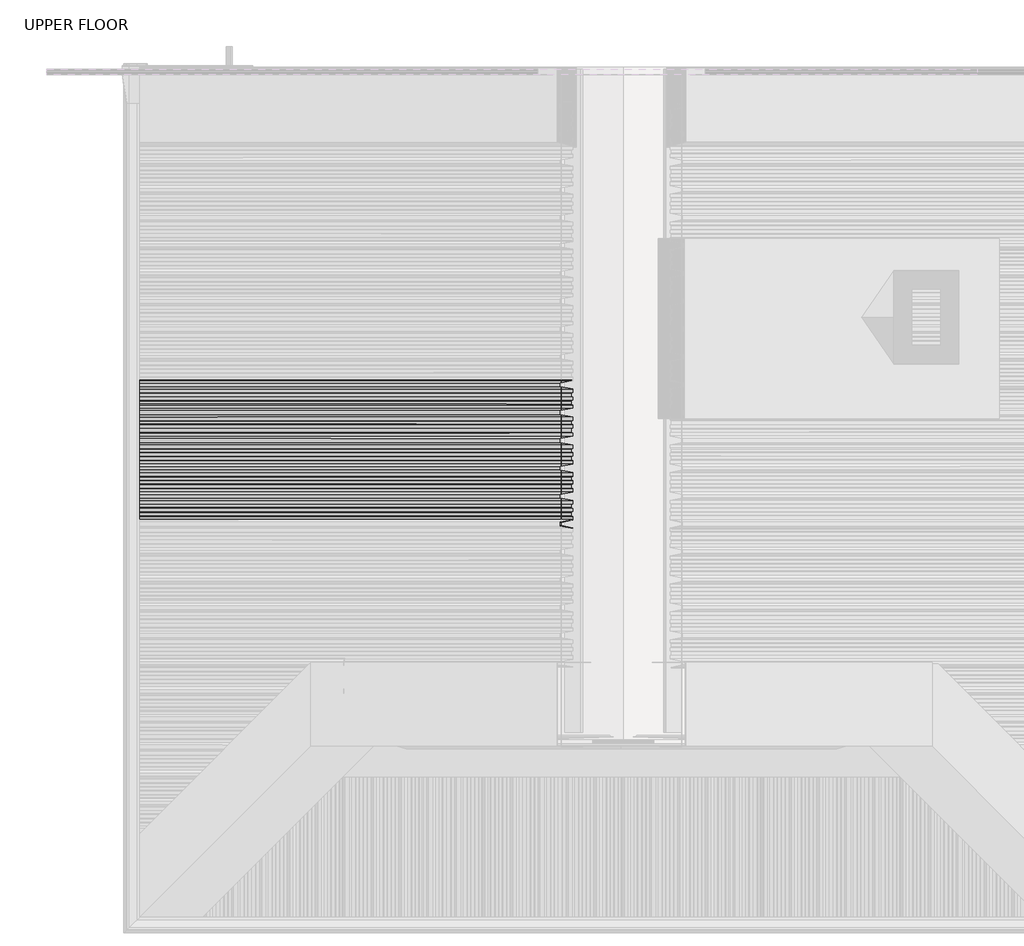
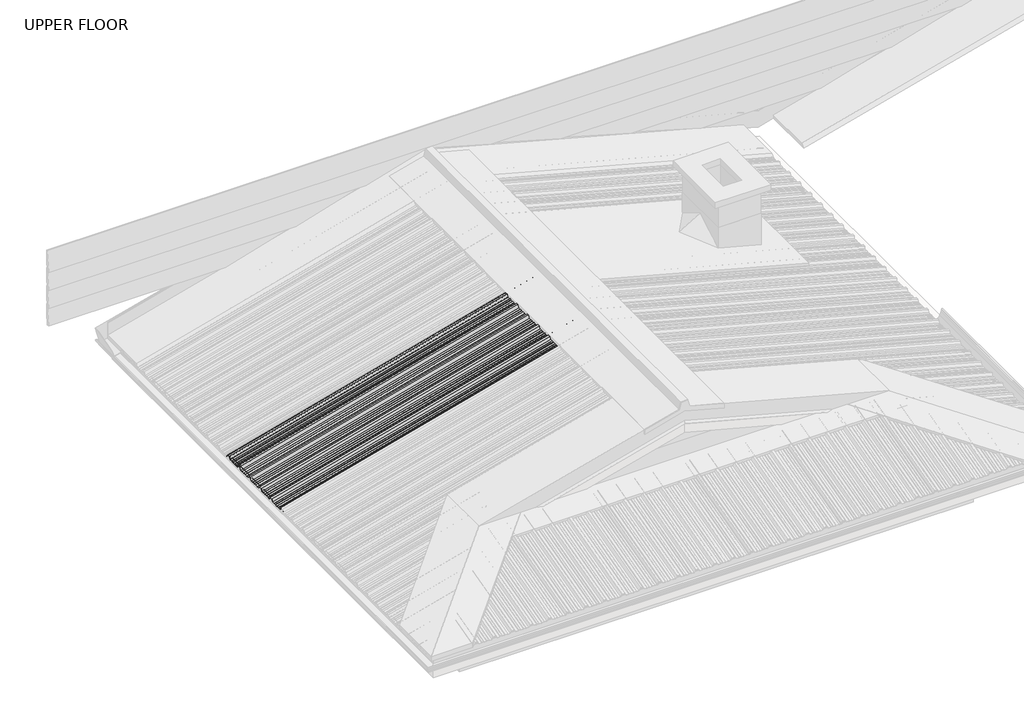
# One storey, part 12 of 18: 1 beam.
"""IFC4 building model written with IfcOpenShell, lengths in millimetres."""

from ifc_helpers import new_model, si_unit, frame, origin, place, context, project, spatial, circle_curve, ellipse_curve, element, save
from ifc_brep_helpers import plane_surface, cylinder_surface, advanced_brep

model = new_model("IFC4")

# Units and contexts
model_context = context("Model", 3, world=origin())
ifc_project = project(units=[si_unit("LENGTHUNIT", "METRE", prefix="MILLI")], contexts=[model_context])

# Site, building, storey
site = spatial("IfcSite", under=ifc_project)
building = spatial("IfcBuilding", under=site)
storey = spatial("IfcBuildingStorey", under=building, Name="UPPER FLOOR", Elevation=2700.0)

# Beam
placement = place(None, origin())
element("IfcBeam", 1, at=placement, inside=storey, context=model_context, shape_type="AdvancedBrep", body=[
    advanced_brep(
    [(1911.8438312, -2385.5154236, 3964.0388456), (1916.502574, -2372.0160332, 3946.6521808), (1916.502574, -2353.8599507, 3946.6521808), (1915.9849359, -2349.7333487, 3948.5840324), (1915.9849359, -2332.1265136, 3948.5840324), (1916.502574, -2328.8623496, 3946.6521808), (1916.502574, -2310.0893759, 3946.6521808), (1915.9849359, -2307.0479174, 3948.5840324), (1915.9849359, -2291.3821135, 3948.5840324), (1916.502574, -2288.3384716, 3946.6521808), (1916.502574, -2268.0160332, 3946.6521808), (1911.8438312, -2254.5166428, 3964.0388456), (1911.8438312, -2235.5154236, 3964.0388456), (1916.502574, -2222.0160332, 3946.6521808), (1916.502574, -2203.8599507, 3946.6521808), (1915.9849359, -2199.7333487, 3948.5840324), (1915.9849359, -2182.1265136, 3948.5840324), (1916.502574, -2178.8623496, 3946.6521808), (1916.502574, -2160.0893759, 3946.6521808), (1915.9849359, -2157.0479174, 3948.5840324), (1915.9849359, -2141.3821135, 3948.5840324), (1916.502574, -2138.3384716, 3946.6521808), (1916.502574, -2118.0160332, 3946.6521808), (1911.8438312, -2104.5166428, 3964.0388456), (1911.8438312, -2085.5154236, 3964.0388456), (1916.502574, -2072.0160332, 3946.6521808), (1916.502574, -2053.8599507, 3946.6521808), (1915.9849359, -2049.7333487, 3948.5840324), (1915.9849359, -2032.1265136, 3948.5840324), (1916.502574, -2028.8623496, 3946.6521808), (1916.502574, -2010.0893759, 3946.6521808), (1915.9849359, -2007.0479174, 3948.5840324), (1915.9849359, -1991.3821135, 3948.5840324), (1916.502574, -1988.3384716, 3946.6521808), (1916.502574, -1968.0160332, 3946.6521808), (1911.8438312, -1954.5166428, 3964.0388456), (1911.8438312, -1935.5154236, 3964.0388456), (1916.502574, -1922.0160332, 3946.6521808), (1916.502574, -1903.8599507, 3946.6521808), (1915.9849359, -1899.7333487, 3948.5840324), (1915.9849359, -1882.1265136, 3948.5840324), (1916.502574, -1878.8623496, 3946.6521808), (1916.502574, -1860.0893759, 3946.6521808), (1915.9849359, -1857.0479174, 3948.5840324), (1915.9849359, -1841.3821135, 3948.5840324), (1916.502574, -1838.3384716, 3946.6521808), (1916.502574, -1818.0160332, 3946.6521808), (1911.8438312, -1804.5166428, 3964.0388456), (1911.8438312, -1785.5154236, 3964.0388456), (1915.9849359, -1773.5159654, 3948.5840324), (1915.9849359, -1769.8426482, 3948.5840324), (1915.7261169, -1769.8426482, 3949.5499582), (1915.7261169, -1773.016575, 3949.5499582), (1911.5850122, -1785.0160332, 3965.0047715), (1911.5850122, -1805.0160332, 3965.0047715), (1916.243755, -1818.5154236, 3947.6181066), (1916.243755, -1838.0393206, 3947.6181066), (1915.7261169, -1841.0829625, 3949.5499582), (1915.7261169, -1857.3472479, 3949.5499582), (1916.243755, -1860.3887064, 3947.6181066), (1916.243755, -1878.5803543, 3947.6181066), (1915.7261169, -1881.8445183, 3949.5499582), (1915.7261169, -1899.9629086, 3949.5499582), (1916.243755, -1904.0895106, 3947.6181066), (1916.243755, -1921.5166428, 3947.6181066), (1911.5850122, -1935.0160332, 3965.0047715), (1911.5850122, -1955.0160332, 3965.0047715), (1916.243755, -1968.5154236, 3947.6181066), (1916.243755, -1988.0393206, 3947.6181066), (1915.7261169, -1991.0829625, 3949.5499582), (1915.7261169, -2007.3472479, 3949.5499582), (1916.243755, -2010.3887064, 3947.6181066), (1916.243755, -2028.5803543, 3947.6181066), (1915.7261169, -2031.8445183, 3949.5499582), (1915.7261169, -2049.9629086, 3949.5499582), (1916.243755, -2054.0895106, 3947.6181066), (1916.243755, -2071.5166428, 3947.6181066), (1911.5850122, -2085.0160332, 3965.0047715), (1911.5850122, -2105.0160332, 3965.0047715), (1916.243755, -2118.5154236, 3947.6181066), (1916.243755, -2138.0393206, 3947.6181066), (1915.7261169, -2141.0829625, 3949.5499582), (1915.7261169, -2157.3472479, 3949.5499582), (1916.243755, -2160.3887064, 3947.6181066), (1916.243755, -2178.5803543, 3947.6181066), (1915.7261169, -2181.8445183, 3949.5499582), (1915.7261169, -2199.9629086, 3949.5499582), (1916.243755, -2204.0895106, 3947.6181066), (1916.243755, -2221.5166428, 3947.6181066), (1911.5850122, -2235.0160332, 3965.0047715), (1911.5850122, -2255.0160332, 3965.0047715), (1916.243755, -2268.5154236, 3947.6181066), (1916.243755, -2288.0393206, 3947.6181066), (1915.7261169, -2291.0829625, 3949.5499582), (1915.7261169, -2307.3472479, 3949.5499582), (1916.243755, -2310.3887064, 3947.6181066), (1916.243755, -2328.5803543, 3947.6181066), (1915.7261169, -2331.8445183, 3949.5499582), (1915.7261169, -2349.9629086, 3949.5499582), (1916.243755, -2354.0895106, 3947.6181066), (1916.243755, -2371.5166428, 3947.6181066), (1911.5850122, -2385.0160332, 3965.0047715), (1911.5850122, -2405.0160332, 3965.0047715), (1916.243755, -2418.5154236, 3947.6181066), (1916.243755, -2438.0393206, 3947.6181066), (1915.7261169, -2441.0829625, 3949.5499582), (1915.7261169, -2457.3472479, 3949.5499582), (1916.243755, -2460.3887064, 3947.6181066), (1916.243755, -2478.5803543, 3947.6181066), (1915.7261169, -2481.8445183, 3949.5499582), (1915.7261169, -2499.9629086, 3949.5499582), (1916.243755, -2504.0895106, 3947.6181066), (1916.243755, -2524.0166021, 3947.6181066), (1912.1026503, -2536.0160603, 3963.0729198), (1912.1026503, -2554.0160061, 3963.0729198), (1916.1256634, -2565.6732765, 3948.0588305), (1916.2808729, -2564.8736623, 3947.4795806), (1912.3614693, -2553.5166157, 3962.106994), (1912.3614693, -2536.5154506, 3962.106994), (1916.502574, -2524.5159925, 3946.6521808), (1916.502574, -2503.8599507, 3946.6521808), (1915.9849359, -2499.7333487, 3948.5840324), (1915.9849359, -2482.1265136, 3948.5840324), (1916.502574, -2478.8623496, 3946.6521808), (1916.502574, -2460.0893759, 3946.6521808), (1915.9849359, -2457.0479174, 3948.5840324), (1915.9849359, -2441.3821135, 3948.5840324), (1916.502574, -2438.3384716, 3946.6521808), (1916.502574, -2418.0160332, 3946.6521808), (1911.8438312, -2404.5166428, 3964.0388456), (-592.3448479, -2385.5154236, 3293.0435114), (-592.3448479, -2372.0160332, 3274.4085401), (-592.3448479, -2353.8599507, 3274.4085401), (-592.3448479, -2349.7333487, 3276.4790925), (-592.3448479, -2332.1265136, 3276.4790925), (-592.3448479, -2328.8623496, 3274.4085401), (-592.3448479, -2310.0893759, 3274.4085401), (-592.3448479, -2307.0479174, 3276.4790925), (-592.3448479, -2291.3821135, 3276.4790925), (-592.3448479, -2288.3384716, 3274.4085401), (-592.3448479, -2268.0160332, 3274.4085401), (-592.3448479, -2254.5166428, 3293.0435114), (-592.3448479, -2235.5154236, 3293.0435114), (-592.3448479, -2222.0160332, 3274.4085401), (-592.3448479, -2203.8599507, 3274.4085401), (-592.3448479, -2199.7333487, 3276.4790925), (-592.3448479, -2182.1265136, 3276.4790925), (-592.3448479, -2178.8623496, 3274.4085401), (-592.3448479, -2160.0893759, 3274.4085401), (-592.3448479, -2157.0479174, 3276.4790925), (-592.3448479, -2141.3821135, 3276.4790925), (-592.3448479, -2138.3384716, 3274.4085401), (-592.3448479, -2118.0160332, 3274.4085401), (-592.3448479, -2104.5166428, 3293.0435114), (-592.3448479, -2085.5154236, 3293.0435114), (-592.3448479, -2072.0160332, 3274.4085401), (-592.3448479, -2053.8599507, 3274.4085401), (-592.3448479, -2049.7333487, 3276.4790925), (-592.3448479, -2032.1265136, 3276.4790925), (-592.3448479, -2028.8623496, 3274.4085401), (-592.3448479, -2010.0893759, 3274.4085401), (-592.3448479, -2007.0479174, 3276.4790925), (-592.3448479, -1991.3821135, 3276.4790925), (-592.3448479, -1988.3384716, 3274.4085401), (-592.3448479, -1968.0160332, 3274.4085401), (-592.3448479, -1954.5166428, 3293.0435114), (-592.3448479, -1935.5154236, 3293.0435114), (-592.3448479, -1922.0160332, 3274.4085401), (-592.3448479, -1903.8599507, 3274.4085401), (-592.3448479, -1899.7333487, 3276.4790925), (-592.3448479, -1882.1265136, 3276.4790925), (-592.3448479, -1878.8623496, 3274.4085401), (-592.3448479, -1860.0893759, 3274.4085401), (-592.3448479, -1857.0479174, 3276.4790925), (-592.3448479, -1841.3821135, 3276.4790925), (-592.3448479, -1838.3384716, 3274.4085401), (-592.3448479, -1818.0160332, 3274.4085401), (-592.3448479, -1804.5166428, 3293.0435114), (-592.3448479, -1785.5154236, 3293.0435114), (-592.3448479, -1773.5159654, 3276.4790925), (-592.3448479, -1769.8426482, 3276.4790925), (-592.3448479, -1769.8426482, 3277.5143687), (-592.3448479, -1773.016575, 3277.5143687), (-592.3448479, -1785.0160332, 3294.0787875), (-592.3448479, -1805.0160332, 3294.0787875), (-592.3448479, -1818.5154236, 3275.4438163), (-592.3448479, -1838.0393206, 3275.4438163), (-592.3448479, -1841.0829625, 3277.5143687), (-592.3448479, -1857.3472479, 3277.5143687), (-592.3448479, -1860.3887064, 3275.4438163), (-592.3448479, -1878.5803543, 3275.4438163), (-592.3448479, -1881.8445183, 3277.5143687), (-592.3448479, -1899.9629086, 3277.5143687), (-592.3448479, -1904.0895106, 3275.4438163), (-592.3448479, -1921.5166428, 3275.4438163), (-592.3448479, -1935.0160332, 3294.0787875), (-592.3448479, -1955.0160332, 3294.0787875), (-592.3448479, -1968.5154236, 3275.4438163), (-592.3448479, -1988.0393206, 3275.4438163), (-592.3448479, -1991.0829625, 3277.5143687), (-592.3448479, -2007.3472479, 3277.5143687), (-592.3448479, -2010.3887064, 3275.4438163), (-592.3448479, -2028.5803543, 3275.4438163), (-592.3448479, -2031.8445183, 3277.5143687), (-592.3448479, -2049.9629086, 3277.5143687), (-592.3448479, -2054.0895106, 3275.4438163), (-592.3448479, -2071.5166428, 3275.4438163), (-592.3448479, -2085.0160332, 3294.0787875), (-592.3448479, -2105.0160332, 3294.0787875), (-592.3448479, -2118.5154236, 3275.4438163), (-592.3448479, -2138.0393206, 3275.4438163), (-592.3448479, -2141.0829625, 3277.5143687), (-592.3448479, -2157.3472479, 3277.5143687), (-592.3448479, -2160.3887064, 3275.4438163), (-592.3448479, -2178.5803543, 3275.4438163), (-592.3448479, -2181.8445183, 3277.5143687), (-592.3448479, -2199.9629086, 3277.5143687), (-592.3448479, -2204.0895106, 3275.4438163), (-592.3448479, -2221.5166428, 3275.4438163), (-592.3448479, -2235.0160332, 3294.0787875), (-592.3448479, -2255.0160332, 3294.0787875), (-592.3448479, -2268.5154236, 3275.4438163), (-592.3448479, -2288.0393206, 3275.4438163), (-592.3448479, -2291.0829625, 3277.5143687), (-592.3448479, -2307.3472479, 3277.5143687), (-592.3448479, -2310.3887064, 3275.4438163), (-592.3448479, -2328.5803543, 3275.4438163), (-592.3448479, -2331.8445183, 3277.5143687), (-592.3448479, -2349.9629086, 3277.5143687), (-592.3448479, -2354.0895106, 3275.4438163), (-592.3448479, -2371.5166428, 3275.4438163), (-592.3448479, -2385.0160332, 3294.0787875), (-592.3448479, -2405.0160332, 3294.0787875), (-592.3448479, -2418.5154236, 3275.4438163), (-592.3448479, -2438.0393206, 3275.4438163), (-592.3448479, -2441.0829625, 3277.5143687), (-592.3448479, -2457.3472479, 3277.5143687), (-592.3448479, -2460.3887064, 3275.4438163), (-592.3448479, -2478.5803543, 3275.4438163), (-592.3448479, -2481.8445183, 3277.5143687), (-592.3448479, -2499.9629086, 3277.5143687), (-592.3448479, -2504.0895106, 3275.4438163), (-592.3448479, -2524.0166021, 3275.4438163), (-592.3448479, -2536.0160603, 3292.0082352), (-592.3448479, -2554.0160061, 3292.0082352), (-592.3448479, -2565.6732765, 3275.9161827), (-592.3448479, -2564.8736623, 3275.2953446), (-592.3448479, -2553.5166157, 3290.972959), (-592.3448479, -2536.5154506, 3290.972959), (-592.3448479, -2524.5159925, 3274.4085401), (-592.3448479, -2503.8599507, 3274.4085401), (-592.3448479, -2499.7333487, 3276.4790925), (-592.3448479, -2482.1265136, 3276.4790925), (-592.3448479, -2478.8623496, 3274.4085401), (-592.3448479, -2460.0893759, 3274.4085401), (-592.3448479, -2457.0479174, 3276.4790925), (-592.3448479, -2441.3821135, 3276.4790925), (-592.3448479, -2438.3384716, 3274.4085401), (-592.3448479, -2418.0160332, 3274.4085401), (-592.3448479, -2404.5166428, 3293.0435114)],
    [
        (0, 1),
        (1, 2),
        (2, 3),
        (3, 4),
        (4, 5),
        (5, 6),
        (6, 7),
        (7, 8),
        (8, 9),
        (9, 10),
        (10, 11),
        (11, 12),
        (12, 13),
        (13, 14),
        (14, 15),
        (15, 16),
        (16, 17),
        (17, 18),
        (18, 19),
        (19, 20),
        (20, 21),
        (21, 22),
        (22, 23),
        (23, 24),
        (24, 25),
        (25, 26),
        (26, 27),
        (27, 28),
        (28, 29),
        (29, 30),
        (30, 31),
        (31, 32),
        (32, 33),
        (33, 34),
        (34, 35),
        (35, 36),
        (36, 37),
        (37, 38),
        (38, 39),
        (39, 40),
        (40, 41),
        (41, 42),
        (42, 43),
        (43, 44),
        (44, 45),
        (45, 46),
        (46, 47),
        (47, 48),
        (48, 49),
        (49, 50),
        (50, 51, circle_curve(frame((1915.8555264, -1769.8426482, 3949.0669953), z_axis=(0.9659258262890683, 0.0, 0.2588190451025209), x_axis=(0.0, 1.0000000000000002, 0.0)), 0.5)),
        (51, 52),
        (52, 53),
        (53, 54),
        (54, 55),
        (55, 56),
        (56, 57),
        (57, 58),
        (58, 59),
        (59, 60),
        (60, 61),
        (61, 62),
        (62, 63),
        (63, 64),
        (64, 65),
        (65, 66),
        (66, 67),
        (67, 68),
        (68, 69),
        (69, 70),
        (70, 71),
        (71, 72),
        (72, 73),
        (73, 74),
        (74, 75),
        (75, 76),
        (76, 77),
        (77, 78),
        (78, 79),
        (79, 80),
        (80, 81),
        (81, 82),
        (82, 83),
        (83, 84),
        (84, 85),
        (85, 86),
        (86, 87),
        (87, 88),
        (88, 89),
        (89, 90),
        (90, 91),
        (91, 92),
        (92, 93),
        (93, 94),
        (94, 95),
        (95, 96),
        (96, 97),
        (97, 98),
        (98, 99),
        (99, 100),
        (100, 101),
        (101, 102),
        (102, 103),
        (103, 104),
        (104, 105),
        (105, 106),
        (106, 107),
        (107, 108),
        (108, 109),
        (109, 110),
        (110, 111),
        (111, 112),
        (112, 113),
        (113, 114),
        (114, 115),
        (115, 116, circle_curve(frame((1916.2032682, -2565.2734694, 3947.7692055), z_axis=(0.9659258262890683, 0.0, 0.2588190451025209), x_axis=(0.0, 1.0000000000000002, 0.0)), 0.4997507)),
        (116, 117),
        (117, 118),
        (118, 119),
        (119, 120),
        (120, 121),
        (121, 122),
        (122, 123),
        (123, 124),
        (124, 125),
        (125, 126),
        (126, 127),
        (127, 128),
        (128, 129),
        (129, 0),
        (0, 130),
        (130, 131),
        (131, 1),
        (131, 132),
        (132, 2),
        (132, 133),
        (133, 3),
        (133, 134),
        (134, 4),
        (134, 135),
        (135, 5),
        (135, 136),
        (136, 6),
        (136, 137),
        (137, 7),
        (137, 138),
        (138, 8),
        (138, 139),
        (139, 9),
        (139, 140),
        (140, 10),
        (140, 141),
        (141, 11),
        (141, 142),
        (142, 12),
        (142, 143),
        (143, 13),
        (143, 144),
        (144, 14),
        (144, 145),
        (145, 15),
        (145, 146),
        (146, 16),
        (146, 147),
        (147, 17),
        (147, 148),
        (148, 18),
        (148, 149),
        (149, 19),
        (149, 150),
        (150, 20),
        (150, 151),
        (151, 21),
        (151, 152),
        (152, 22),
        (152, 153),
        (153, 23),
        (153, 154),
        (154, 24),
        (154, 155),
        (155, 25),
        (155, 156),
        (156, 26),
        (156, 157),
        (157, 27),
        (157, 158),
        (158, 28),
        (158, 159),
        (159, 29),
        (159, 160),
        (160, 30),
        (160, 161),
        (161, 31),
        (161, 162),
        (162, 32),
        (162, 163),
        (163, 33),
        (163, 164),
        (164, 34),
        (164, 165),
        (165, 35),
        (165, 166),
        (166, 36),
        (166, 167),
        (167, 37),
        (167, 168),
        (168, 38),
        (168, 169),
        (169, 39),
        (169, 170),
        (170, 40),
        (170, 171),
        (171, 41),
        (171, 172),
        (172, 42),
        (172, 173),
        (173, 43),
        (173, 174),
        (174, 44),
        (174, 175),
        (175, 45),
        (175, 176),
        (176, 46),
        (176, 177),
        (177, 47),
        (177, 178),
        (178, 48),
        (178, 179),
        (179, 49),
        (179, 180),
        (180, 50),
        (180, 181, ellipse_curve(frame((-592.3448479, -1769.8426482, 3276.9967306), z_axis=(1.0, 0.0, 0.0), x_axis=(0.0, 0.0, 1.0)), 0.5176381, 0.5)),
        (181, 51),
        (181, 182),
        (182, 52),
        (182, 183),
        (183, 53),
        (183, 184),
        (184, 54),
        (184, 185),
        (185, 55),
        (185, 186),
        (186, 56),
        (186, 187),
        (187, 57),
        (187, 188),
        (188, 58),
        (188, 189),
        (189, 59),
        (189, 190),
        (190, 60),
        (190, 191),
        (191, 61),
        (191, 192),
        (192, 62),
        (192, 193),
        (193, 63),
        (193, 194),
        (194, 64),
        (194, 195),
        (195, 65),
        (195, 196),
        (196, 66),
        (196, 197),
        (197, 67),
        (197, 198),
        (198, 68),
        (198, 199),
        (199, 69),
        (199, 200),
        (200, 70),
        (200, 201),
        (201, 71),
        (201, 202),
        (202, 72),
        (202, 203),
        (203, 73),
        (203, 204),
        (204, 74),
        (204, 205),
        (205, 75),
        (205, 206),
        (206, 76),
        (206, 207),
        (207, 77),
        (207, 208),
        (208, 78),
        (208, 209),
        (209, 79),
        (209, 210),
        (210, 80),
        (210, 211),
        (211, 81),
        (211, 212),
        (212, 82),
        (212, 213),
        (213, 83),
        (213, 214),
        (214, 84),
        (214, 215),
        (215, 85),
        (215, 216),
        (216, 86),
        (216, 217),
        (217, 87),
        (217, 218),
        (218, 88),
        (218, 219),
        (219, 89),
        (219, 220),
        (220, 90),
        (220, 221),
        (221, 91),
        (221, 222),
        (222, 92),
        (222, 223),
        (223, 93),
        (223, 224),
        (224, 94),
        (224, 225),
        (225, 95),
        (225, 226),
        (226, 96),
        (226, 227),
        (227, 97),
        (227, 228),
        (228, 98),
        (228, 229),
        (229, 99),
        (229, 230),
        (230, 100),
        (230, 231),
        (231, 101),
        (231, 232),
        (232, 102),
        (232, 233),
        (233, 103),
        (233, 234),
        (234, 104),
        (234, 235),
        (235, 105),
        (235, 236),
        (236, 106),
        (236, 237),
        (237, 107),
        (237, 238),
        (238, 108),
        (238, 239),
        (239, 109),
        (239, 240),
        (240, 110),
        (240, 241),
        (241, 111),
        (241, 242),
        (242, 112),
        (242, 243),
        (243, 113),
        (243, 244),
        (244, 114),
        (244, 245),
        (245, 115),
        (245, 246, ellipse_curve(frame((-592.3448479, -2565.2734694, 3275.6057637), z_axis=(1.0, 0.0, 0.0), x_axis=(0.0, 0.0, 1.0)), 0.51738, 0.4997507)),
        (246, 116),
        (246, 247),
        (247, 117),
        (247, 248),
        (248, 118),
        (248, 249),
        (249, 119),
        (249, 250),
        (250, 120),
        (250, 251),
        (251, 121),
        (251, 252),
        (252, 122),
        (252, 253),
        (253, 123),
        (253, 254),
        (254, 124),
        (254, 255),
        (255, 125),
        (255, 256),
        (256, 126),
        (256, 257),
        (257, 127),
        (257, 258),
        (258, 128),
        (258, 259),
        (259, 129),
        (259, 130),
    ],
    [
        plane_surface(frame((1911.8438312, -2385.5154236, 3964.0388456), z_axis=(0.9659258262890682, 0.0, 0.25881904510252085), x_axis=(0.2070586020545866, 0.5999826594493569, -0.7727532230118989))),
        plane_surface(frame((1911.8438312, -2385.5154236, 3964.0388456), z_axis=(0.15528693899675233, -0.8000130051193401, -0.579538746087733), x_axis=(-0.9659258262890683, 0.0, -0.2588190451025209))),
        plane_surface(frame((1916.502574, -2372.0160332, 3946.6521808), z_axis=(0.2588190451025209, 0.0, -0.9659258262890683), x_axis=(-0.9659258262890683, 0.0, -0.2588190451025209))),
        plane_surface(frame((1916.502574, -2353.8599507, 3946.6521808), z_axis=(0.23290623468573973, 0.4361363616997862, -0.8692179012467383), x_axis=(-0.9659258262890683, 0.0, -0.2588190451025209))),
        plane_surface(frame((1915.9849359, -2349.7333487, 3948.5840324), z_axis=(0.2588190451025209, 0.0, -0.9659258262890683), x_axis=(-0.9659258262890683, 0.0, -0.2588190451025209))),
        plane_surface(frame((1915.9849359, -2332.1265136, 3948.5840324), z_axis=(0.22068801492462894, -0.5224449573493033, -0.8236188843202367), x_axis=(-0.9659258262890683, 0.0, -0.2588190451025209))),
        plane_surface(frame((1916.502574, -2328.8623496, 3946.6521808), z_axis=(0.2588190451025209, 0.0, -0.9659258262890683), x_axis=(-0.9659258262890683, 0.0, -0.2588190451025209))),
        plane_surface(frame((1916.502574, -2310.0893759, 3946.6521808), z_axis=(0.21625317242009753, 0.549432514883668, -0.8070678267697529), x_axis=(-0.9659258262890683, 0.0, -0.2588190451025209))),
        plane_surface(frame((1915.9849359, -2307.0479174, 3948.5840324), z_axis=(0.2588190451025209, 0.0, -0.9659258262890683), x_axis=(-0.9659258262890683, 0.0, -0.2588190451025209))),
        plane_surface(frame((1915.9849359, -2291.3821135, 3948.5840324), z_axis=(0.21630000128988655, -0.5491572662555926, -0.8072425944910732), x_axis=(-0.9659258262890683, 0.0, -0.2588190451025209))),
        plane_surface(frame((1916.502574, -2288.3384716, 3946.6521808), z_axis=(0.2588190451025209, 0.0, -0.9659258262890683), x_axis=(-0.9659258262890683, 0.0, -0.2588190451025209))),
        plane_surface(frame((1916.502574, -2268.0160332, 3946.6521808), z_axis=(0.15528693899675555, 0.8000130051193378, -0.5795387460877354), x_axis=(-0.9659258262890683, 0.0, -0.2588190451025209))),
        plane_surface(frame((1911.8438312, -2254.5166428, 3964.0388456), z_axis=(0.2588190451025209, 0.0, -0.9659258262890683), x_axis=(-0.9659258262890683, 0.0, -0.2588190451025209))),
        plane_surface(frame((1911.8438312, -2235.5154236, 3964.0388456), z_axis=(0.1552869389967522, -0.8000130051193403, -0.5795387460877326), x_axis=(-0.9659258262890683, 0.0, -0.2588190451025209))),
        plane_surface(frame((1916.502574, -2222.0160332, 3946.6521808), z_axis=(0.2588190451025209, 0.0, -0.9659258262890683), x_axis=(-0.9659258262890683, 0.0, -0.2588190451025209))),
        plane_surface(frame((1916.502574, -2203.8599507, 3946.6521808), z_axis=(0.2329062346857403, 0.43613636169978176, -0.8692179012467404), x_axis=(-0.9659258262890683, 0.0, -0.2588190451025209))),
        plane_surface(frame((1915.9849359, -2199.7333487, 3948.5840324), z_axis=(0.2588190451025209, 0.0, -0.9659258262890683), x_axis=(-0.9659258262890683, 0.0, -0.2588190451025209))),
        plane_surface(frame((1915.9849359, -2182.1265136, 3948.5840324), z_axis=(0.2206880149246301, -0.5224449573492963, -0.8236188843202409), x_axis=(-0.9659258262890683, 0.0, -0.2588190451025209))),
        plane_surface(frame((1916.502574, -2178.8623496, 3946.6521808), z_axis=(0.2588190451025209, 0.0, -0.9659258262890683), x_axis=(-0.9659258262890683, 0.0, -0.2588190451025209))),
        plane_surface(frame((1916.502574, -2160.0893759, 3946.6521808), z_axis=(0.21625317242009898, 0.5494325148836594, -0.8070678267697583), x_axis=(-0.9659258262890683, 0.0, -0.2588190451025209))),
        plane_surface(frame((1915.9849359, -2157.0479174, 3948.5840324), z_axis=(0.2588190451025209, 0.0, -0.9659258262890683), x_axis=(-0.9659258262890683, 0.0, -0.2588190451025209))),
        plane_surface(frame((1915.9849359, -2141.3821135, 3948.5840324), z_axis=(0.21630000128988655, -0.5491572662555926, -0.8072425944910732), x_axis=(-0.9659258262890683, 0.0, -0.2588190451025209))),
        plane_surface(frame((1916.502574, -2138.3384716, 3946.6521808), z_axis=(0.2588190451025209, 0.0, -0.9659258262890683), x_axis=(-0.9659258262890683, 0.0, -0.2588190451025209))),
        plane_surface(frame((1916.502574, -2118.0160332, 3946.6521808), z_axis=(0.1552869389967559, 0.8000130051193365, -0.5795387460877368), x_axis=(-0.9659258262890683, 0.0, -0.2588190451025209))),
        plane_surface(frame((1911.8438312, -2104.5166428, 3964.0388456), z_axis=(0.2588190451025209, 0.0, -0.9659258262890683), x_axis=(-0.9659258262890683, 0.0, -0.2588190451025209))),
        plane_surface(frame((1911.8438312, -2085.5154236, 3964.0388456), z_axis=(0.1552869389967515, -0.8000130051193425, -0.57953874608773), x_axis=(-0.9659258262890683, 0.0, -0.2588190451025209))),
        plane_surface(frame((1916.502574, -2072.0160332, 3946.6521808), z_axis=(0.2588190451025209, 0.0, -0.9659258262890683), x_axis=(-0.9659258262890683, 0.0, -0.2588190451025209))),
        plane_surface(frame((1916.502574, -2053.8599507, 3946.6521808), z_axis=(0.23290623468573923, 0.4361363616997906, -0.8692179012467364), x_axis=(-0.9659258262890683, 0.0, -0.2588190451025209))),
        plane_surface(frame((1915.9849359, -2049.7333487, 3948.5840324), z_axis=(0.2588190451025209, 0.0, -0.9659258262890683), x_axis=(-0.9659258262890683, 0.0, -0.2588190451025209))),
        plane_surface(frame((1915.9849359, -2032.1265136, 3948.5840324), z_axis=(0.22068801492462958, -0.5224449573492994, -0.823618884320239), x_axis=(-0.9659258262890683, 0.0, -0.2588190451025209))),
        plane_surface(frame((1916.502574, -2028.8623496, 3946.6521808), z_axis=(0.2588190451025209, 0.0, -0.9659258262890683), x_axis=(-0.9659258262890683, 0.0, -0.2588190451025209))),
        plane_surface(frame((1916.502574, -2010.0893759, 3946.6521808), z_axis=(0.21625317242009753, 0.549432514883668, -0.8070678267697529), x_axis=(-0.9659258262890683, 0.0, -0.2588190451025209))),
        plane_surface(frame((1915.9849359, -2007.0479174, 3948.5840324), z_axis=(0.2588190451025209, 0.0, -0.9659258262890683), x_axis=(-0.9659258262890683, 0.0, -0.2588190451025209))),
        plane_surface(frame((1915.9849359, -1991.3821135, 3948.5840324), z_axis=(0.21630000128988655, -0.5491572662555926, -0.8072425944910732), x_axis=(-0.9659258262890683, 0.0, -0.2588190451025209))),
        plane_surface(frame((1916.502574, -1988.3384716, 3946.6521808), z_axis=(0.2588190451025209, 0.0, -0.9659258262890683), x_axis=(-0.9659258262890683, 0.0, -0.2588190451025209))),
        plane_surface(frame((1916.502574, -1968.0160332, 3946.6521808), z_axis=(0.15528693899675544, 0.800013005119338, -0.579538746087735), x_axis=(-0.9659258262890683, 0.0, -0.2588190451025209))),
        plane_surface(frame((1911.8438312, -1954.5166428, 3964.0388456), z_axis=(0.2588190451025209, 0.0, -0.9659258262890683), x_axis=(-0.9659258262890683, 0.0, -0.2588190451025209))),
        plane_surface(frame((1911.8438312, -1935.5154236, 3964.0388456), z_axis=(0.15528693899675206, -0.8000130051193408, -0.5795387460877321), x_axis=(-0.9659258262890683, 0.0, -0.2588190451025209))),
        plane_surface(frame((1916.502574, -1922.0160332, 3946.6521808), z_axis=(0.2588190451025209, 0.0, -0.9659258262890683), x_axis=(-0.9659258262890683, 0.0, -0.2588190451025209))),
        plane_surface(frame((1916.502574, -1903.8599507, 3946.6521808), z_axis=(0.23290623468573776, 0.43613636169980174, -0.8692179012467309), x_axis=(-0.9659258262890683, 0.0, -0.2588190451025209))),
        plane_surface(frame((1915.9849359, -1899.7333487, 3948.5840324), z_axis=(0.2588190451025209, 0.0, -0.9659258262890683), x_axis=(-0.9659258262890683, 0.0, -0.2588190451025209))),
        plane_surface(frame((1915.9849359, -1882.1265136, 3948.5840324), z_axis=(0.22068801492462542, -0.5224449573493256, -0.8236188843202236), x_axis=(-0.9659258262890683, 0.0, -0.2588190451025209))),
        plane_surface(frame((1916.502574, -1878.8623496, 3946.6521808), z_axis=(0.2588190451025209, 0.0, -0.9659258262890683), x_axis=(-0.9659258262890683, 0.0, -0.2588190451025209))),
        plane_surface(frame((1916.502574, -1860.0893759, 3946.6521808), z_axis=(0.21625317242009237, 0.5494325148836984, -0.8070678267697334), x_axis=(-0.9659258262890683, 0.0, -0.2588190451025209))),
        plane_surface(frame((1915.9849359, -1857.0479174, 3948.5840324), z_axis=(0.2588190451025209, 0.0, -0.9659258262890683), x_axis=(-0.9659258262890683, 0.0, -0.2588190451025209))),
        plane_surface(frame((1915.9849359, -1841.3821135, 3948.5840324), z_axis=(0.21630000128988278, -0.5491572662556147, -0.8072425944910594), x_axis=(-0.9659258262890683, 0.0, -0.2588190451025209))),
        plane_surface(frame((1916.502574, -1838.3384716, 3946.6521808), z_axis=(0.2588190451025209, 0.0, -0.9659258262890683), x_axis=(-0.9659258262890683, 0.0, -0.2588190451025209))),
        plane_surface(frame((1916.502574, -1818.0160332, 3946.6521808), z_axis=(0.15528693899675491, 0.8000130051193397, -0.5795387460877328), x_axis=(-0.9659258262890683, 0.0, -0.2588190451025209))),
        plane_surface(frame((1911.8438312, -1804.5166428, 3964.0388456), z_axis=(0.2588190451025209, 0.0, -0.9659258262890683), x_axis=(-0.9659258262890683, 0.0, -0.2588190451025209))),
        plane_surface(frame((1911.8438312, -1785.5154236, 3964.0388456), z_axis=(0.155286938996752, -0.800013005119341, -0.5795387460877318), x_axis=(-0.9659258262890683, 0.0, -0.2588190451025209))),
        plane_surface(frame((1915.9849359, -1773.5159654, 3948.5840324), z_axis=(0.2588190451025209, 0.0, -0.9659258262890683), x_axis=(-0.9659258262890683, 0.0, -0.2588190451025209))),
        cylinder_surface(frame((-605.4065742, -1769.8426482, 3273.4968516), z_axis=(0.9659258262890683, 0.0, 0.2588190451025209), x_axis=(0.0, 1.0000000000000002, 0.0)), 0.5),
        plane_surface(frame((1915.7261169, -1769.8426482, 3949.5499582), z_axis=(-0.2588190451025209, 0.0, 0.9659258262890683), x_axis=(-0.9659258262890683, 0.0, -0.2588190451025209))),
        plane_surface(frame((1915.7261169, -1773.016575, 3949.5499582), z_axis=(-0.15528693899675194, 0.8000130051193411, 0.5795387460877316), x_axis=(-0.9659258262890683, 0.0, -0.2588190451025209))),
        plane_surface(frame((1911.5850122, -1785.0160332, 3965.0047715), z_axis=(-0.2588190451025209, 0.0, 0.9659258262890683), x_axis=(-0.9659258262890683, 0.0, -0.2588190451025209))),
        plane_surface(frame((1911.5850122, -1805.0160332, 3965.0047715), z_axis=(-0.15528693899675505, -0.8000130051193396, 0.5795387460877333), x_axis=(-0.9659258262890683, 0.0, -0.2588190451025209))),
        plane_surface(frame((1916.243755, -1818.5154236, 3947.6181066), z_axis=(-0.2588190451025209, 0.0, 0.9659258262890683), x_axis=(-0.9659258262890683, 0.0, -0.2588190451025209))),
        plane_surface(frame((1916.243755, -1838.0393206, 3947.6181066), z_axis=(-0.2163000012898894, 0.5491572662555756, 0.807242594491084), x_axis=(-0.9659258262890683, 0.0, -0.2588190451025209))),
        plane_surface(frame((1915.7261169, -1841.0829625, 3949.5499582), z_axis=(-0.2588190451025209, 0.0, 0.9659258262890683), x_axis=(-0.9659258262890683, 0.0, -0.2588190451025209))),
        plane_surface(frame((1915.7261169, -1857.3472479, 3949.5499582), z_axis=(-0.21625317242009953, -0.5494325148836561, 0.8070678267697603), x_axis=(-0.9659258262890683, 0.0, -0.2588190451025209))),
        plane_surface(frame((1916.243755, -1860.3887064, 3947.6181066), z_axis=(-0.2588190451025209, 0.0, 0.9659258262890683), x_axis=(-0.9659258262890683, 0.0, -0.2588190451025209))),
        plane_surface(frame((1916.243755, -1878.5803543, 3947.6181066), z_axis=(-0.22068801492462792, 0.5224449573493095, 0.823618884320233), x_axis=(-0.9659258262890683, 0.0, -0.2588190451025209))),
        plane_surface(frame((1915.7261169, -1881.8445183, 3949.5499582), z_axis=(-0.2588190451025209, 0.0, 0.9659258262890683), x_axis=(-0.9659258262890683, 0.0, -0.2588190451025209))),
        plane_surface(frame((1915.7261169, -1899.9629086, 3949.5499582), z_axis=(-0.23290623468573834, -0.43613636169979725, 0.869217901246733), x_axis=(-0.9659258262890683, 0.0, -0.2588190451025209))),
        plane_surface(frame((1916.243755, -1904.0895106, 3947.6181066), z_axis=(-0.2588190451025209, 0.0, 0.9659258262890683), x_axis=(-0.9659258262890683, 0.0, -0.2588190451025209))),
        plane_surface(frame((1916.243755, -1921.5166428, 3947.6181066), z_axis=(-0.15528693899675336, 0.8000130051193369, 0.5795387460877371), x_axis=(-0.9659258262890683, 0.0, -0.2588190451025209))),
        plane_surface(frame((1911.5850122, -1935.0160332, 3965.0047715), z_axis=(-0.2588190451025209, 0.0, 0.9659258262890683), x_axis=(-0.9659258262890683, 0.0, -0.2588190451025209))),
        plane_surface(frame((1911.5850122, -1955.0160332, 3965.0047715), z_axis=(-0.15528693899675491, -0.8000130051193396, 0.5795387460877329), x_axis=(-0.9659258262890683, 0.0, -0.2588190451025209))),
        plane_surface(frame((1916.243755, -1968.5154236, 3947.6181066), z_axis=(-0.2588190451025209, 0.0, 0.9659258262890683), x_axis=(-0.9659258262890683, 0.0, -0.2588190451025209))),
        plane_surface(frame((1916.243755, -1988.0393206, 3947.6181066), z_axis=(-0.2163000012898871, 0.5491572662555894, 0.8072425944910753), x_axis=(-0.9659258262890683, 0.0, -0.2588190451025209))),
        plane_surface(frame((1915.7261169, -1991.0829625, 3949.5499582), z_axis=(-0.2588190451025209, 0.0, 0.9659258262890683), x_axis=(-0.9659258262890683, 0.0, -0.2588190451025209))),
        plane_surface(frame((1915.7261169, -2007.3472479, 3949.5499582), z_axis=(-0.2162531724200981, -0.5494325148836647, 0.8070678267697551), x_axis=(-0.9659258262890683, 0.0, -0.2588190451025209))),
        plane_surface(frame((1916.243755, -2010.3887064, 3947.6181066), z_axis=(-0.2588190451025209, 0.0, 0.9659258262890683), x_axis=(-0.9659258262890683, 0.0, -0.2588190451025209))),
        plane_surface(frame((1916.243755, -2028.5803543, 3947.6181066), z_axis=(-0.22068801492462886, 0.522444957349304, 0.8236188843202363), x_axis=(-0.9659258262890683, 0.0, -0.2588190451025209))),
        plane_surface(frame((1915.7261169, -2031.8445183, 3949.5499582), z_axis=(-0.2588190451025209, 0.0, 0.9659258262890683), x_axis=(-0.9659258262890683, 0.0, -0.2588190451025209))),
        plane_surface(frame((1915.7261169, -2049.9629086, 3949.5499582), z_axis=(-0.23290623468573995, -0.4361363616997848, 0.869217901246739), x_axis=(-0.9659258262890683, 0.0, -0.2588190451025209))),
        plane_surface(frame((1916.243755, -2054.0895106, 3947.6181066), z_axis=(-0.2588190451025209, 0.0, 0.9659258262890683), x_axis=(-0.9659258262890683, 0.0, -0.2588190451025209))),
        plane_surface(frame((1916.243755, -2071.5166428, 3947.6181066), z_axis=(-0.15528693899675255, 0.8000130051193396, 0.5795387460877338), x_axis=(-0.9659258262890683, 0.0, -0.2588190451025209))),
        plane_surface(frame((1911.5850122, -2085.0160332, 3965.0047715), z_axis=(-0.2588190451025209, 0.0, 0.9659258262890683), x_axis=(-0.9659258262890683, 0.0, -0.2588190451025209))),
        plane_surface(frame((1911.5850122, -2105.0160332, 3965.0047715), z_axis=(-0.15528693899675505, -0.8000130051193394, 0.5795387460877335), x_axis=(-0.9659258262890683, 0.0, -0.2588190451025209))),
        plane_surface(frame((1916.243755, -2118.5154236, 3947.6181066), z_axis=(-0.2588190451025209, 0.0, 0.9659258262890683), x_axis=(-0.9659258262890683, 0.0, -0.2588190451025209))),
        plane_surface(frame((1916.243755, -2138.0393206, 3947.6181066), z_axis=(-0.2163000012898871, 0.5491572662555894, 0.8072425944910753), x_axis=(-0.9659258262890683, 0.0, -0.2588190451025209))),
        plane_surface(frame((1915.7261169, -2141.0829625, 3949.5499582), z_axis=(-0.2588190451025209, 0.0, 0.9659258262890683), x_axis=(-0.9659258262890683, 0.0, -0.2588190451025209))),
        plane_surface(frame((1915.7261169, -2157.3472479, 3949.5499582), z_axis=(-0.2162531724200995, -0.5494325148836561, 0.8070678267697603), x_axis=(-0.9659258262890683, 0.0, -0.2588190451025209))),
        plane_surface(frame((1916.243755, -2160.3887064, 3947.6181066), z_axis=(-0.2588190451025209, 0.0, 0.9659258262890683), x_axis=(-0.9659258262890683, 0.0, -0.2588190451025209))),
        plane_surface(frame((1916.243755, -2178.5803543, 3947.6181066), z_axis=(-0.22068801492462972, 0.5224449573492986, 0.8236188843202396), x_axis=(-0.9659258262890683, 0.0, -0.2588190451025209))),
        plane_surface(frame((1915.7261169, -2181.8445183, 3949.5499582), z_axis=(-0.2588190451025209, 0.0, 0.9659258262890683), x_axis=(-0.9659258262890683, 0.0, -0.2588190451025209))),
        plane_surface(frame((1915.7261169, -2199.9629086, 3949.5499582), z_axis=(-0.23290623468573962, -0.436136361699787, 0.8692179012467379), x_axis=(-0.9659258262890683, 0.0, -0.2588190451025209))),
        plane_surface(frame((1916.243755, -2204.0895106, 3947.6181066), z_axis=(-0.2588190451025209, 0.0, 0.9659258262890683), x_axis=(-0.9659258262890683, 0.0, -0.2588190451025209))),
        plane_surface(frame((1916.243755, -2221.5166428, 3947.6181066), z_axis=(-0.1552869389967526, 0.8000130051193391, 0.579538746087734), x_axis=(-0.9659258262890683, 0.0, -0.2588190451025209))),
        plane_surface(frame((1911.5850122, -2235.0160332, 3965.0047715), z_axis=(-0.2588190451025209, 0.0, 0.9659258262890683), x_axis=(-0.9659258262890683, 0.0, -0.2588190451025209))),
        plane_surface(frame((1911.5850122, -2255.0160332, 3965.0047715), z_axis=(-0.15528693899675503, -0.8000130051193394, 0.5795387460877334), x_axis=(-0.9659258262890683, 0.0, -0.2588190451025209))),
        plane_surface(frame((1916.243755, -2268.5154236, 3947.6181066), z_axis=(-0.2588190451025209, 0.0, 0.9659258262890683), x_axis=(-0.9659258262890683, 0.0, -0.2588190451025209))),
        plane_surface(frame((1916.243755, -2288.0393206, 3947.6181066), z_axis=(-0.21630000128988655, 0.5491572662555926, 0.8072425944910732), x_axis=(-0.9659258262890683, 0.0, -0.2588190451025209))),
        plane_surface(frame((1915.7261169, -2291.0829625, 3949.5499582), z_axis=(-0.2588190451025209, 0.0, 0.9659258262890683), x_axis=(-0.9659258262890683, 0.0, -0.2588190451025209))),
        plane_surface(frame((1915.7261169, -2307.3472479, 3949.5499582), z_axis=(-0.21625317242009753, -0.549432514883668, 0.8070678267697529), x_axis=(-0.9659258262890683, 0.0, -0.2588190451025209))),
        plane_surface(frame((1916.243755, -2310.3887064, 3947.6181066), z_axis=(-0.2588190451025209, 0.0, 0.9659258262890683), x_axis=(-0.9659258262890683, 0.0, -0.2588190451025209))),
        plane_surface(frame((1916.243755, -2328.5803543, 3947.6181066), z_axis=(-0.22068801492462845, 0.5224449573493064, 0.8236188843202348), x_axis=(-0.9659258262890683, 0.0, -0.2588190451025209))),
        plane_surface(frame((1915.7261169, -2331.8445183, 3949.5499582), z_axis=(-0.2588190451025209, 0.0, 0.9659258262890683), x_axis=(-0.9659258262890683, 0.0, -0.2588190451025209))),
        plane_surface(frame((1915.7261169, -2349.9629086, 3949.5499582), z_axis=(-0.23290623468573993, -0.4361363616997847, 0.8692179012467389), x_axis=(-0.9659258262890683, 0.0, -0.2588190451025209))),
        plane_surface(frame((1916.243755, -2354.0895106, 3947.6181066), z_axis=(-0.2588190451025209, 0.0, 0.9659258262890683), x_axis=(-0.9659258262890683, 0.0, -0.2588190451025209))),
        plane_surface(frame((1916.243755, -2371.5166428, 3947.6181066), z_axis=(-0.15528693899675283, 0.8000130051193386, 0.579538746087735), x_axis=(-0.9659258262890683, 0.0, -0.2588190451025209))),
        plane_surface(frame((1911.5850122, -2385.0160332, 3965.0047715), z_axis=(-0.2588190451025209, 0.0, 0.9659258262890683), x_axis=(-0.9659258262890683, 0.0, -0.2588190451025209))),
        plane_surface(frame((1911.5850122, -2405.0160332, 3965.0047715), z_axis=(-0.15528693899675533, -0.8000130051193384, 0.5795387460877346), x_axis=(-0.9659258262890683, 0.0, -0.2588190451025209))),
        plane_surface(frame((1916.243755, -2418.5154236, 3947.6181066), z_axis=(-0.2588190451025209, 0.0, 0.9659258262890683), x_axis=(-0.9659258262890683, 0.0, -0.2588190451025209))),
        plane_surface(frame((1916.243755, -2438.0393206, 3947.6181066), z_axis=(-0.2163000012898871, 0.5491572662555894, 0.8072425944910753), x_axis=(-0.9659258262890683, 0.0, -0.2588190451025209))),
        plane_surface(frame((1915.7261169, -2441.0829625, 3949.5499582), z_axis=(-0.2588190451025209, 0.0, 0.9659258262890683), x_axis=(-0.9659258262890683, 0.0, -0.2588190451025209))),
        plane_surface(frame((1915.7261169, -2457.3472479, 3949.5499582), z_axis=(-0.2162531724200981, -0.5494325148836647, 0.8070678267697551), x_axis=(-0.9659258262890683, 0.0, -0.2588190451025209))),
        plane_surface(frame((1916.243755, -2460.3887064, 3947.6181066), z_axis=(-0.2588190451025209, 0.0, 0.9659258262890683), x_axis=(-0.9659258262890683, 0.0, -0.2588190451025209))),
        plane_surface(frame((1916.243755, -2478.5803543, 3947.6181066), z_axis=(-0.22068801492462883, 0.522444957349304, 0.8236188843202363), x_axis=(-0.9659258262890683, 0.0, -0.2588190451025209))),
        plane_surface(frame((1915.7261169, -2481.8445183, 3949.5499582), z_axis=(-0.2588190451025209, 0.0, 0.9659258262890683), x_axis=(-0.9659258262890683, 0.0, -0.2588190451025209))),
        plane_surface(frame((1915.7261169, -2499.9629086, 3949.5499582), z_axis=(-0.23290623468574015, -0.43613636169978337, 0.8692179012467398), x_axis=(-0.9659258262890683, 0.0, -0.2588190451025209))),
        plane_surface(frame((1916.243755, -2504.0895106, 3947.6181066), z_axis=(-0.2588190451025209, 0.0, 0.9659258262890683), x_axis=(-0.9659258262890683, 0.0, -0.2588190451025209))),
        plane_surface(frame((1916.243755, -2524.0166021, 3947.6181066), z_axis=(-0.15528693899675272, 0.8000130051193389, 0.5795387460877346), x_axis=(-0.9659258262890683, 0.0, -0.2588190451025209))),
        plane_surface(frame((1912.1026503, -2536.0160603, 3963.0729198), z_axis=(-0.2588190451025209, 0.0, 0.9659258262890683), x_axis=(-0.9659258262890683, 0.0, -0.2588190451025209))),
        plane_surface(frame((1912.1026503, -2554.0160061, 3963.0729198), z_axis=(-0.15528693899675505, -0.8000130051193394, 0.5795387460877335), x_axis=(-0.9659258262890683, 0.0, -0.2588190451025209))),
        cylinder_surface(frame((-605.0588324, -2565.2734694, 3272.1990618), z_axis=(0.9659258262890683, 0.0, 0.2588190451025209), x_axis=(0.0, 1.0000000000000002, 0.0)), 0.4997507),
        plane_surface(frame((1916.2808729, -2564.8736623, 3947.4795806), z_axis=(0.15528693899676424, 0.8000130051193125, -0.5795387460877678), x_axis=(-0.9659258262890683, 0.0, -0.2588190451025209))),
        plane_surface(frame((1912.3614693, -2553.5166157, 3962.106994), z_axis=(0.2588190451025209, 0.0, -0.9659258262890683), x_axis=(-0.9659258262890683, 0.0, -0.2588190451025209))),
        plane_surface(frame((1912.3614693, -2536.5154506, 3962.106994), z_axis=(0.15528693899675217, -0.8000130051193404, -0.5795387460877325), x_axis=(-0.9659258262890683, 0.0, -0.2588190451025209))),
        plane_surface(frame((1916.502574, -2524.5159925, 3946.6521808), z_axis=(0.2588190451025209, 0.0, -0.9659258262890683), x_axis=(-0.9659258262890683, 0.0, -0.2588190451025209))),
        plane_surface(frame((1916.502574, -2503.8599507, 3946.6521808), z_axis=(0.232906234685739, 0.43613636169979203, -0.8692179012467355), x_axis=(-0.9659258262890683, 0.0, -0.2588190451025209))),
        plane_surface(frame((1915.9849359, -2499.7333487, 3948.5840324), z_axis=(0.2588190451025209, 0.0, -0.9659258262890683), x_axis=(-0.9659258262890683, 0.0, -0.2588190451025209))),
        plane_surface(frame((1915.9849359, -2482.1265136, 3948.5840324), z_axis=(0.22068801492462833, -0.5224449573493072, -0.8236188843202343), x_axis=(-0.9659258262890683, 0.0, -0.2588190451025209))),
        plane_surface(frame((1916.502574, -2478.8623496, 3946.6521808), z_axis=(0.2588190451025209, 0.0, -0.9659258262890683), x_axis=(-0.9659258262890683, 0.0, -0.2588190451025209))),
        plane_surface(frame((1916.502574, -2460.0893759, 3946.6521808), z_axis=(0.21625317242009753, 0.549432514883668, -0.8070678267697529), x_axis=(-0.9659258262890683, 0.0, -0.2588190451025209))),
        plane_surface(frame((1915.9849359, -2457.0479174, 3948.5840324), z_axis=(0.2588190451025209, 0.0, -0.9659258262890683), x_axis=(-0.9659258262890683, 0.0, -0.2588190451025209))),
        plane_surface(frame((1915.9849359, -2441.3821135, 3948.5840324), z_axis=(0.21630000128988655, -0.5491572662555926, -0.8072425944910732), x_axis=(-0.9659258262890683, 0.0, -0.2588190451025209))),
        plane_surface(frame((1916.502574, -2438.3384716, 3946.6521808), z_axis=(0.2588190451025209, 0.0, -0.9659258262890683), x_axis=(-0.9659258262890683, 0.0, -0.2588190451025209))),
        plane_surface(frame((1916.502574, -2418.0160332, 3946.6521808), z_axis=(0.1552869389967555, 0.800013005119338, -0.5795387460877351), x_axis=(-0.9659258262890683, 0.0, -0.2588190451025209))),
        plane_surface(frame((1911.8438312, -2404.5166428, 3964.0388456), z_axis=(0.2588190451025209, 0.0, -0.9659258262890683), x_axis=(-0.9659258262890683, 0.0, -0.2588190451025209))),
        plane_surface(frame((-592.3448479, -4970.0160332, 3739.5229882), z_axis=(-1.0, 0.0, 0.0), x_axis=(0.0, 0.0, -1.0))),
    ],
    [
        (0, [[1, 2, 3, 4, 5, 6, 7, 8, 9, 10, 11, 12, 13, 14, 15, 16, 17, 18, 19, 20, 21, 22, 23, 24, 25, 26, 27, 28, 29, 30, 31, 32, 33, 34, 35, 36, 37, 38, 39, 40, 41, 42, 43, 44, 45, 46, 47, 48, 49, 50, 51, 52, 53, 54, 55, 56, 57, 58, 59, 60, 61, 62, 63, 64, 65, 66, 67, 68, 69, 70, 71, 72, 73, 74, 75, 76, 77, 78, 79, 80, 81, 82, 83, 84, 85, 86, 87, 88, 89, 90, 91, 92, 93, 94, 95, 96, 97, 98, 99, 100, 101, 102, 103, 104, 105, 106, 107, 108, 109, 110, 111, 112, 113, 114, 115, 116, 117, 118, 119, 120, 121, 122, 123, 124, 125, 126, 127, 128, 129, 130]]),
        (1, [[-1, 131, 132, 133]]),
        (2, [[-2, -133, 134, 135]]),
        (3, [[-3, -135, 136, 137]]),
        (4, [[-4, -137, 138, 139]]),
        (5, [[-5, -139, 140, 141]]),
        (6, [[-6, -141, 142, 143]]),
        (7, [[-7, -143, 144, 145]]),
        (8, [[-8, -145, 146, 147]]),
        (9, [[-9, -147, 148, 149]]),
        (10, [[-10, -149, 150, 151]]),
        (11, [[-11, -151, 152, 153]]),
        (12, [[-12, -153, 154, 155]]),
        (13, [[-13, -155, 156, 157]]),
        (14, [[-14, -157, 158, 159]]),
        (15, [[-15, -159, 160, 161]]),
        (16, [[-16, -161, 162, 163]]),
        (17, [[-17, -163, 164, 165]]),
        (18, [[-18, -165, 166, 167]]),
        (19, [[-19, -167, 168, 169]]),
        (20, [[-20, -169, 170, 171]]),
        (21, [[-21, -171, 172, 173]]),
        (22, [[-22, -173, 174, 175]]),
        (23, [[-23, -175, 176, 177]]),
        (24, [[-24, -177, 178, 179]]),
        (25, [[-25, -179, 180, 181]]),
        (26, [[-26, -181, 182, 183]]),
        (27, [[-27, -183, 184, 185]]),
        (28, [[-28, -185, 186, 187]]),
        (29, [[-29, -187, 188, 189]]),
        (30, [[-30, -189, 190, 191]]),
        (31, [[-31, -191, 192, 193]]),
        (32, [[-32, -193, 194, 195]]),
        (33, [[-33, -195, 196, 197]]),
        (34, [[-34, -197, 198, 199]]),
        (35, [[-35, -199, 200, 201]]),
        (36, [[-36, -201, 202, 203]]),
        (37, [[-37, -203, 204, 205]]),
        (38, [[-38, -205, 206, 207]]),
        (39, [[-39, -207, 208, 209]]),
        (40, [[-40, -209, 210, 211]]),
        (41, [[-41, -211, 212, 213]]),
        (42, [[-42, -213, 214, 215]]),
        (43, [[-43, -215, 216, 217]]),
        (44, [[-44, -217, 218, 219]]),
        (45, [[-45, -219, 220, 221]]),
        (46, [[-46, -221, 222, 223]]),
        (47, [[-47, -223, 224, 225]]),
        (48, [[-48, -225, 226, 227]]),
        (49, [[-49, -227, 228, 229]]),
        (50, [[-50, -229, 230, 231]]),
        (51, [[-51, -231, 232, 233]]),
        (52, [[-52, -233, 234, 235]]),
        (53, [[-53, -235, 236, 237]]),
        (54, [[-54, -237, 238, 239]]),
        (55, [[-55, -239, 240, 241]]),
        (56, [[-56, -241, 242, 243]]),
        (57, [[-57, -243, 244, 245]]),
        (58, [[-58, -245, 246, 247]]),
        (59, [[-59, -247, 248, 249]]),
        (60, [[-60, -249, 250, 251]]),
        (61, [[-61, -251, 252, 253]]),
        (62, [[-62, -253, 254, 255]]),
        (63, [[-63, -255, 256, 257]]),
        (64, [[-64, -257, 258, 259]]),
        (65, [[-65, -259, 260, 261]]),
        (66, [[-66, -261, 262, 263]]),
        (67, [[-67, -263, 264, 265]]),
        (68, [[-68, -265, 266, 267]]),
        (69, [[-69, -267, 268, 269]]),
        (70, [[-70, -269, 270, 271]]),
        (71, [[-71, -271, 272, 273]]),
        (72, [[-72, -273, 274, 275]]),
        (73, [[-73, -275, 276, 277]]),
        (74, [[-74, -277, 278, 279]]),
        (75, [[-75, -279, 280, 281]]),
        (76, [[-76, -281, 282, 283]]),
        (77, [[-77, -283, 284, 285]]),
        (78, [[-78, -285, 286, 287]]),
        (79, [[-79, -287, 288, 289]]),
        (80, [[-80, -289, 290, 291]]),
        (81, [[-81, -291, 292, 293]]),
        (82, [[-82, -293, 294, 295]]),
        (83, [[-83, -295, 296, 297]]),
        (84, [[-84, -297, 298, 299]]),
        (85, [[-85, -299, 300, 301]]),
        (86, [[-86, -301, 302, 303]]),
        (87, [[-87, -303, 304, 305]]),
        (88, [[-88, -305, 306, 307]]),
        (89, [[-89, -307, 308, 309]]),
        (90, [[-90, -309, 310, 311]]),
        (91, [[-91, -311, 312, 313]]),
        (92, [[-92, -313, 314, 315]]),
        (93, [[-93, -315, 316, 317]]),
        (94, [[-94, -317, 318, 319]]),
        (95, [[-95, -319, 320, 321]]),
        (96, [[-96, -321, 322, 323]]),
        (97, [[-97, -323, 324, 325]]),
        (98, [[-98, -325, 326, 327]]),
        (99, [[-99, -327, 328, 329]]),
        (100, [[-100, -329, 330, 331]]),
        (101, [[-101, -331, 332, 333]]),
        (102, [[-102, -333, 334, 335]]),
        (103, [[-103, -335, 336, 337]]),
        (104, [[-104, -337, 338, 339]]),
        (105, [[-105, -339, 340, 341]]),
        (106, [[-106, -341, 342, 343]]),
        (107, [[-107, -343, 344, 345]]),
        (108, [[-108, -345, 346, 347]]),
        (109, [[-109, -347, 348, 349]]),
        (110, [[-110, -349, 350, 351]]),
        (111, [[-111, -351, 352, 353]]),
        (112, [[-112, -353, 354, 355]]),
        (113, [[-113, -355, 356, 357]]),
        (114, [[-114, -357, 358, 359]]),
        (115, [[-115, -359, 360, 361]]),
        (116, [[-116, -361, 362, 363]]),
        (117, [[-117, -363, 364, 365]]),
        (118, [[-118, -365, 366, 367]]),
        (119, [[-119, -367, 368, 369]]),
        (120, [[-120, -369, 370, 371]]),
        (121, [[-121, -371, 372, 373]]),
        (122, [[-122, -373, 374, 375]]),
        (123, [[-123, -375, 376, 377]]),
        (124, [[-124, -377, 378, 379]]),
        (125, [[-125, -379, 380, 381]]),
        (126, [[-126, -381, 382, 383]]),
        (127, [[-127, -383, 384, 385]]),
        (128, [[-128, -385, 386, 387]]),
        (129, [[-129, -387, 388, 389]]),
        (130, [[-130, -389, 390, -131]]),
        (131, [[-132, -390, -388, -386, -384, -382, -380, -378, -376, -374, -372, -370, -368, -366, -364, -362, -360, -358, -356, -354, -352, -350, -348, -346, -344, -342, -340, -338, -336, -334, -332, -330, -328, -326, -324, -322, -320, -318, -316, -314, -312, -310, -308, -306, -304, -302, -300, -298, -296, -294, -292, -290, -288, -286, -284, -282, -280, -278, -276, -274, -272, -270, -268, -266, -264, -262, -260, -258, -256, -254, -252, -250, -248, -246, -244, -242, -240, -238, -236, -234, -232, -230, -228, -226, -224, -222, -220, -218, -216, -214, -212, -210, -208, -206, -204, -202, -200, -198, -196, -194, -192, -190, -188, -186, -184, -182, -180, -178, -176, -174, -172, -170, -168, -166, -164, -162, -160, -158, -156, -154, -152, -150, -148, -146, -144, -142, -140, -138, -136, -134]]),
    ],
),
])

save(model, "model.ifc")
